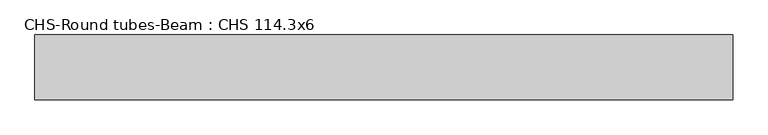
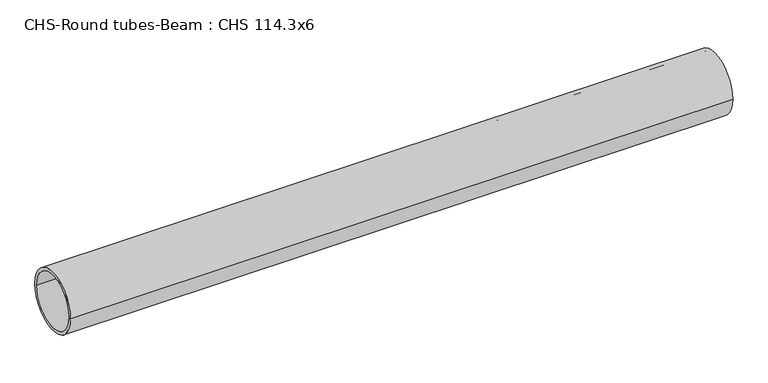
"""IFC4 building model written with IfcOpenShell, lengths in millimetres: beam geometry, CHS-Round tubes-Beam : CHS 114.3x6."""

from ifc_helpers import new_model, si_unit, point, frame, origin, origin_2d, place, context, project, spatial, circle_curve, trimmed, segment, composite_curve, outline, extrude, source, transform, mapped, element, save


def chs_round_tubes_beam_chs_114_3x6_2a21accc(model_context):
    return source(origin(), model_context, "Body", "SweptSolid", [
        extrude(outline(composite_curve([segment(trimmed(circle_curve(origin_2d(), 57.15), [point((57.15, 0.0))], [point((-57.15, 0.0))], False, "CARTESIAN"), True, "CONTINUOUS"), segment(trimmed(circle_curve(origin_2d(), 57.15), [point((-57.15, 0.0))], [point((57.15, 0.0))], False, "CARTESIAN"), True, "CONTINUOUS")], self_intersect=False), holes=[composite_curve([segment(trimmed(circle_curve(origin_2d(), 51.15), [point((51.15, 0.0))], [point((-51.15, 0.0))], True, "CARTESIAN"), True, "CONTINUOUS"), segment(trimmed(circle_curve(origin_2d(), 51.15), [point((-51.15, 0.0))], [point((51.15, 0.0))], True, "CARTESIAN"), True, "CONTINUOUS")], self_intersect=False)]), frame((-615.4932965, 0.0, 0.0), z_axis=(1.0, 0.0, 0.0), x_axis=(0.0, 1.0, 0.0)), (0.0, 0.0, 1.0), 1230.9825403),
    ])


if __name__ == "__main__":
    model = new_model("IFC4")
    model_context = context("Model", 3, world=origin())
    ifc_project = project(units=[si_unit("LENGTHUNIT", "METRE", prefix="MILLI")], contexts=[model_context])
    site = spatial("IfcSite", under=ifc_project)
    building = spatial("IfcBuilding", under=site)
    placement = place(None, origin())
    chs_round_tubes_beam_chs_114_3x6_shape = chs_round_tubes_beam_chs_114_3x6_2a21accc(model_context)
    element("IfcBeam", 1, ObjectType="CHS-Round tubes-Beam : CHS 114.3x6", at=placement, inside=building, context=model_context, shape_type="MappedRepresentation", body=[
        mapped(chs_round_tubes_beam_chs_114_3x6_shape, transform((0.0, 0.0, 0.0), x_axis=(1.0, 0.0, 0.0), y_axis=(0.0, 1.0, 0.0), z_axis=(0.0, 0.0, 1.0))),
    ])
    save(model, "model.ifc")
